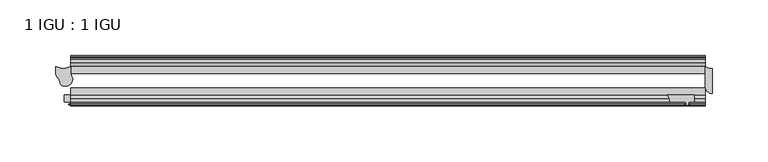
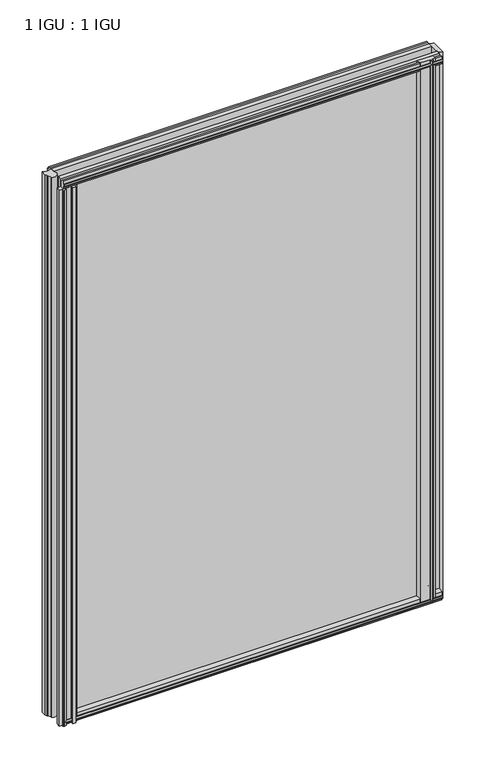
"""IFC4 building model written with IfcOpenShell, lengths in millimetres: plate geometry, 1 IGU : 1 IGU."""

from ifc_helpers import new_model, si_unit, point, frame, frame_2d, origin, place, context, project, spatial, polyline, circle_curve, trimmed, segment, composite_curve, outline, extrude, source, transform, mapped, element, save


def plate_1_igu_1_igu_c889e2ac(model_context):
    return source(origin(), model_context, "Body", "SweptSolid", [
        extrude(outline(composite_curve([segment(trimmed(circle_curve(frame_2d((-259.9028287, -6.7014927)), 14.4881276), [point((-266.6052211, -19.5460937))], [point((-253.2004363, -19.5460937))], True, "CARTESIAN"), True, "CONTINUOUS"), segment(polyline([(-253.2004363, -19.5460937), (-253.2004363, -25.8960937)]), True, "CONTINUOUS"), segment(trimmed(circle_curve(frame_2d((-265.7807446, -32.4073837)), 14.1654881), [point((-253.2004363, -25.8960937))], [point((-251.6948967, -30.9074026))], False, "CARTESIAN"), True, "CONTINUOUS"), segment(trimmed(circle_curve(frame_2d((-258.1754656, -30.6663847)), 6.4850492), [point((-251.6948967, -30.9074026))], [point((-262.4456766, -35.5470774))], False, "CARTESIAN"), True, "CONTINUOUS"), segment(polyline([(-262.4456766, -35.5470774), (-262.6104022, -34.1720046), (-264.2234358, -30.2777969), (-265.4461664, -29.3825984), (-266.6052211, -26.5843929), (-266.6052211, -19.5460937)]), True, "CONTINUOUS")], self_intersect=False)), frame((0.0, 0.0, -6.35), z_axis=(0.0, 0.0, 1.0), x_axis=(1.0, 0.0, 0.0)), (0.0, 0.0, 1.0), 857.0087001),
        extrude(outline(composite_curve([segment(polyline([(320.6777946, -21.3394322), (320.6777946, -43.5644322)]), True, "CONTINUOUS"), segment(trimmed(circle_curve(frame_2d((320.6777946, -37.2144322)), 6.35), [point((320.6777946, -43.5644322))], [point((314.3277946, -37.2144322))], False, "CARTESIAN"), True, "CONTINUOUS"), segment(polyline([(314.3277946, -37.2144322), (314.3277946, -19.5460938)]), True, "CONTINUOUS"), segment(trimmed(circle_curve(frame_2d((320.6777946, -9.2004624)), 12.1389698), [point((314.3277946, -19.5460938))], [point((320.6777946, -21.3394322))], True, "CARTESIAN"), True, "CONTINUOUS")], self_intersect=False)), frame((0.0, 0.0, -12.4587), z_axis=(0.0, 0.0, 1.0), x_axis=(1.0, 0.0, 0.0)), (0.0, 0.0, 1.0), 863.1174001),
        extrude(outline(composite_curve([segment(polyline([(280.7145504, -44.9460938), (304.8027946, -44.9460938), (304.8027946, -51.2960938), (299.7227946, -51.2960938), (299.4052946, -53.4006957), (300.6239005, -53.0741712), (300.8276946, -53.8347412), (298.4527946, -54.4710938), (296.0778946, -53.8347412), (296.2816888, -53.0741712), (297.5002946, -53.4006957), (297.1827946, -51.2960938), (282.5777946, -51.2960938)]), True, "CONTINUOUS"), segment(trimmed(circle_curve(frame_2d((273.8021668, -50.4227155)), 8.8189814), [point((282.5777946, -51.2960938))], [point((280.7145504, -44.9460938))], True, "CARTESIAN"), True, "CONTINUOUS")], self_intersect=False)), frame((0.0, 0.0, -9.0482291), z_axis=(0.0, 0.0, 1.0), x_axis=(1.0, 0.0, 0.0)), (0.0, 0.0, 1.0), 859.7069291),
        extrude(outline(composite_curve([segment(polyline([(-259.0577578, -51.2960938), (-259.0577578, -44.9460938), (-231.4427248, -44.9460938)]), True, "CONTINUOUS"), segment(trimmed(circle_curve(frame_2d((-226.2788557, -49.5178448)), 6.8968436), [point((-231.4427248, -44.9460938))], [point((-232.9425096, -51.2960938))], True, "CARTESIAN"), True, "CONTINUOUS"), segment(polyline([(-232.9425096, -51.2960938), (-236.8581578, -51.2960938)]), True, "CONTINUOUS"), segment(trimmed(circle_curve(frame_2d((-236.8581578, -51.7532937)), 0.4572), [point((-236.8581578, -51.2960938))], [point((-237.1969756, -52.0602698))], True, "CARTESIAN"), True, "CONTINUOUS"), segment(trimmed(circle_curve(frame_2d((-238.9663578, -53.663367)), 2.3876), [point((-237.1969756, -52.0602698))], [point((-236.8957148, -54.8520938))], False, "CARTESIAN"), True, "CONTINUOUS"), segment(polyline([(-236.8957148, -54.8520938), (-241.0370008, -54.8520938)]), True, "CONTINUOUS"), segment(trimmed(circle_curve(frame_2d((-238.9663578, -53.663367)), 2.3876), [point((-241.0370008, -54.8520938))], [point((-240.7357399, -52.0602698))], False, "CARTESIAN"), True, "CONTINUOUS"), segment(trimmed(circle_curve(frame_2d((-241.0745578, -51.7532937)), 0.4572), [point((-240.7357399, -52.0602698))], [point((-241.0745578, -51.2960938))], True, "CARTESIAN"), True, "CONTINUOUS"), segment(polyline([(-241.0745578, -51.2960938), (-251.4377578, -51.2960938), (-251.7552578, -53.4006957), (-250.5366519, -53.0741712), (-250.3328578, -53.8347412), (-252.7077578, -54.4710938), (-255.0826578, -53.8347412), (-254.8788637, -53.0741712), (-253.6602578, -53.4006957), (-253.9777578, -51.2960938), (-259.0577578, -51.2960938)]), True, "CONTINUOUS")], self_intersect=False)), frame((0.0, 0.0, -12.4587), z_axis=(0.0, 0.0, 1.0), x_axis=(1.0, 0.0, 0.0)), (0.0, 0.0, 1.0), 850.4174001),
        extrude(outline(polyline([(-10.4746158, -4.6931709), (-9.7670937, -6.8707), (-10.4746158, -9.0482291), (-11.27583, -9.0482291), (-10.8158968, -7.6327), (-13.1960937, -8.0137), (-13.1960937, -12.4587), (-16.1424937, -12.4587), (-19.5460937, -9.6243578), (-19.5460937, 1.1970181), (-13.1960937, -0.5207), (-13.1960937, -5.7277), (-10.8158968, -6.1087), (-11.27583, -4.6931709), (-10.4746158, -4.6931709)])), frame((-253.2090446, 0.0, 0.0), z_axis=(1.0, 0.0, 0.0), x_axis=(0.0, 1.0, 0.0)), (0.0, 0.0, 1.0), 567.5368393),
        extrude(outline(polyline([(-44.9460937, 1.7177181), (-44.9460937, -9.1036578), (-48.3496937, -11.938), (-51.2960937, -11.938), (-51.2960937, -7.493), (-53.6762907, -7.112), (-53.2163575, -8.5275291), (-54.0175717, -8.5275291), (-54.7250937, -6.35), (-54.0175717, -4.1724709), (-53.2163575, -4.1724709), (-53.6762907, -5.588), (-51.2960937, -5.207), (-51.2960937, 0.0), (-44.9460937, 1.7177181)])), frame((-253.2090446, 0.0, 0.0), z_axis=(1.0, 0.0, 0.0), x_axis=(0.0, 1.0, 0.0)), (0.0, 0.0, 1.0), 567.5368393),
        extrude(outline(polyline([(-10.8158968, 845.8327001), (-11.27583, 847.2482291), (-10.4746158, 847.2482291), (-9.7670937, 845.0707001), (-10.4746158, 842.893171), (-11.27583, 842.893171), (-10.8158968, 844.3087001), (-13.1960937, 843.9277001), (-13.1960937, 838.7207001), (-19.5460938, 837.002982), (-19.5460938, 847.8243579), (-16.1424937, 850.6587001), (-13.1960937, 850.6587001), (-13.1960937, 846.2137001), (-10.8158968, 845.8327001)])), frame((-253.2090446, 0.0, 0.0), z_axis=(1.0, 0.0, 0.0), x_axis=(0.0, 1.0, 0.0)), (0.0, 0.0, 1.0), 567.5368393),
        extrude(outline(polyline([(-51.2960937, 850.1380001), (-48.3496937, 850.1380001), (-44.9460938, 847.3036579), (-44.9460938, 836.482282), (-51.2960937, 838.2000001), (-51.2960937, 843.4070001), (-53.6762907, 843.7880001), (-53.2163575, 842.372471), (-54.0175717, 842.372471), (-54.7250937, 844.5500001), (-54.0175717, 846.7275291), (-53.2163575, 846.7275291), (-53.6762907, 845.3120001), (-51.2960937, 845.6930001), (-51.2960937, 850.1380001)])), frame((-253.2090446, 0.0, 0.0), z_axis=(1.0, 0.0, 0.0), x_axis=(0.0, 1.0, 0.0)), (0.0, 0.0, 1.0), 567.5368393),
        extrude(outline(polyline([(-253.2090446, -38.9186738), (314.3277946, -38.9186738), (314.3277946, -44.9460937), (-253.2090446, -44.9460937), (-253.2090446, -38.9186738)])), frame((0.0, 0.0, -12.7), z_axis=(0.0, 0.0, 1.0), x_axis=(1.0, 0.0, 0.0)), (0.0, 0.0, 1.0), 863.6000001),
        extrude(outline(polyline([(-253.2090446, -19.5460937), (314.3277946, -19.5460937), (314.3277946, -25.8960938), (-253.2090446, -25.8960938), (-253.2090446, -19.5460937)])), frame((0.0, 0.0, -12.7), z_axis=(0.0, 0.0, 1.0), x_axis=(1.0, 0.0, 0.0)), (0.0, 0.0, 1.0), 863.6000001),
    ])


if __name__ == "__main__":
    model = new_model("IFC4")
    model_context = context("Model", 3, world=origin())
    ifc_project = project(units=[si_unit("LENGTHUNIT", "METRE", prefix="MILLI")], contexts=[model_context])
    site = spatial("IfcSite", under=ifc_project)
    building = spatial("IfcBuilding", under=site)
    placement = place(None, origin())
    plate_1_igu_1_igu_shape = plate_1_igu_1_igu_c889e2ac(model_context)
    element("IfcPlate", 1, ObjectType="1 IGU : 1 IGU", at=placement, inside=building, context=model_context, shape_type="MappedRepresentation", body=[
        mapped(plate_1_igu_1_igu_shape, transform((0.0, 0.0, 0.0), x_axis=(1.0, 0.0, 0.0), y_axis=(0.0, 1.0, 0.0), z_axis=(0.0, 0.0, 1.0))),
    ])
    save(model, "model.ifc")
